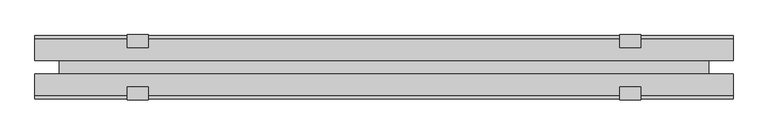
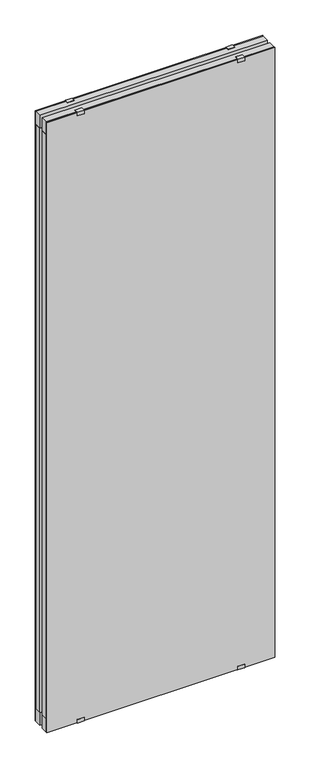
"""IFC4 building model written with IfcOpenShell, lengths in millimetres: plate geometry."""

from ifc_helpers import new_model, si_unit, frame, origin, origin_with_axes, place, context, project, spatial, polyline, outline, extrude, source, transform, mapped, element, save


def plate_c538993a(model_context):
    return source(origin(), model_context, "Body", "SweptSolid", [
        extrude(outline(polyline([(509.1082011, -10.0), (509.1082011, -41.0), (-509.1082011, -41.0), (-509.1082011, -10.0), (509.1082011, -10.0)])), origin_with_axes(), (0.0, 0.0, 1.0), 60.0),
        extrude(outline(polyline([(509.1082011, 41.0), (509.1082011, 10.0), (-509.1082011, 10.0), (-509.1082011, 41.0), (509.1082011, 41.0)])), origin_with_axes(), (0.0, 0.0, 1.0), 60.0),
        extrude(outline(polyline([(509.1082011, -10.0), (509.1082011, -41.0), (-509.1082011, -41.0), (-509.1082011, -10.0), (509.1082011, -10.0)])), frame((0.0, 0.0, 2825.0), z_axis=(0.0, 0.0, 1.0), x_axis=(1.0, 0.0, 0.0)), (0.0, 0.0, 1.0), 60.0),
        extrude(outline(polyline([(509.1082011, 41.0), (509.1082011, 10.0), (-509.1082011, 10.0), (-509.1082011, 41.0), (509.1082011, 41.0)])), frame((0.0, 0.0, 2825.0), z_axis=(0.0, 0.0, 1.0), x_axis=(1.0, 0.0, 0.0)), (0.0, 0.0, 1.0), 60.0),
        extrude(outline(polyline([(473.6082011, -10.0), (-473.6082011, -10.0), (-473.6082011, 10.0), (473.6082011, 10.0), (473.6082011, -10.0)])), frame((0.0, 0.0, 28.0), z_axis=(0.0, 0.0, 1.0), x_axis=(1.0, 0.0, 0.0)), (0.0, 0.0, 1.0), 2829.0),
        extrude(outline(polyline([(509.1082011, 41.0), (-509.1082011, 41.0), (-509.1082011, 46.0), (509.1082011, 46.0), (509.1082011, 41.0)])), origin_with_axes(), (0.0, 0.0, 1.0), 2885.0),
        extrude(outline(polyline([(-509.1082011, -46.0), (-509.1082011, -41.0), (509.1082011, -41.0), (509.1082011, -46.0), (-509.1082011, -46.0)])), origin_with_axes(), (0.0, 0.0, 1.0), 2885.0),
        extrude(outline(polyline([(449.3451285, -10.0), (509.1082011, -10.0), (509.1082011, -41.0), (469.8515354, -41.0), (449.3451285, -13.4129412), (449.3451285, -10.0)])), frame((0.0, 0.0, 60.0), z_axis=(0.0, 0.0, 1.0), x_axis=(1.0, 0.0, 0.0)), (0.0, 0.0, 1.0), 2765.0),
        extrude(outline(polyline([(449.3451285, 10.0), (449.3451285, 13.4129412), (469.8515354, 41.0), (509.1082011, 41.0), (509.1082011, 10.0), (449.3451285, 10.0)])), frame((0.0, 0.0, 60.0), z_axis=(0.0, 0.0, 1.0), x_axis=(1.0, 0.0, 0.0)), (0.0, 0.0, 1.0), 2765.0),
        extrude(outline(polyline([(-449.3451285, -10.0), (-449.3451285, -13.4129412), (-469.8515354, -41.0), (-509.1082011, -41.0), (-509.1082011, -10.0), (-449.3451285, -10.0)])), frame((0.0, 0.0, 60.0), z_axis=(0.0, 0.0, 1.0), x_axis=(1.0, 0.0, 0.0)), (0.0, 0.0, 1.0), 2765.0),
        extrude(outline(polyline([(-449.3451285, 10.0), (-509.1082011, 10.0), (-509.1082011, 41.0), (-469.8515354, 41.0), (-449.3451285, 13.4129412), (-449.3451285, 10.0)])), frame((0.0, 0.0, 60.0), z_axis=(0.0, 0.0, 1.0), x_axis=(1.0, 0.0, 0.0)), (0.0, 0.0, 1.0), 2765.0),
        extrude(outline(polyline([(-47.5, 2886.5), (-29.0, 2886.5), (-29.0, 2885.0), (-46.0, 2885.0), (-46.0, 2870.0), (-47.5, 2870.0), (-47.5, 2886.5)])), frame((-374.1082011, 0.0, 0.0), z_axis=(1.0, 0.0, 0.0), x_axis=(0.0, 1.0, 0.0)), (0.0, 0.0, 1.0), 30.0),
        extrude(outline(polyline([(47.5, 2870.0), (46.0, 2870.0), (46.0, 2885.0), (29.0, 2885.0), (29.0, 2886.5), (47.5, 2886.5), (47.5, 2870.0)])), frame((-374.1082011, 0.0, 0.0), z_axis=(1.0, 0.0, 0.0), x_axis=(0.0, 1.0, 0.0)), (0.0, 0.0, 1.0), 30.0),
        extrude(outline(polyline([(-47.1, 15.0), (-46.0, 15.0), (-46.0, 0.0), (-31.0, 0.0), (-31.0, -1.2), (-47.1, -1.2), (-47.1, 15.0)])), frame((-374.1082011, 0.0, 0.0), z_axis=(1.0, 0.0, 0.0), x_axis=(0.0, 1.0, 0.0)), (0.0, 0.0, 1.0), 30.0),
        extrude(outline(polyline([(47.1, -1.2), (31.0, -1.2), (31.0, 0.0), (46.0, 0.0), (46.0, 15.0), (47.1, 15.0), (47.1, -1.2)])), frame((-374.1082011, 0.0, 0.0), z_axis=(1.0, 0.0, 0.0), x_axis=(0.0, 1.0, 0.0)), (0.0, 0.0, 1.0), 30.0),
        extrude(outline(polyline([(-47.5, 2886.5), (-29.0, 2886.5), (-29.0, 2885.0), (-46.0, 2885.0), (-46.0, 2870.0), (-47.5, 2870.0), (-47.5, 2886.5)])), frame((344.1082011, 0.0, 0.0), z_axis=(1.0, 0.0, 0.0), x_axis=(0.0, 1.0, 0.0)), (0.0, 0.0, 1.0), 30.0),
        extrude(outline(polyline([(29.0, 2886.5), (47.5, 2886.5), (47.5, 2870.0), (46.0, 2870.0), (46.0, 2885.0), (29.0, 2885.0), (29.0, 2886.5)])), frame((344.1082011, 0.0, 0.0), z_axis=(1.0, 0.0, 0.0), x_axis=(0.0, 1.0, 0.0)), (0.0, 0.0, 1.0), 30.0),
        extrude(outline(polyline([(-47.1, 15.0), (-46.0, 15.0), (-46.0, 0.0), (-31.0, 0.0), (-31.0, -1.2), (-47.1, -1.2), (-47.1, 15.0)])), frame((344.1082011, 0.0, 0.0), z_axis=(1.0, 0.0, 0.0), x_axis=(0.0, 1.0, 0.0)), (0.0, 0.0, 1.0), 30.0),
        extrude(outline(polyline([(47.1, -1.2), (31.0, -1.2), (31.0, 0.0), (46.0, 0.0), (46.0, 15.0), (47.1, 15.0), (47.1, -1.2)])), frame((344.1082011, 0.0, 0.0), z_axis=(1.0, 0.0, 0.0), x_axis=(0.0, 1.0, 0.0)), (0.0, 0.0, 1.0), 30.0),
    ])


if __name__ == "__main__":
    model = new_model("IFC4")
    model_context = context("Model", 3, world=origin())
    ifc_project = project(units=[si_unit("LENGTHUNIT", "METRE", prefix="MILLI")], contexts=[model_context])
    site = spatial("IfcSite", under=ifc_project)
    building = spatial("IfcBuilding", under=site)
    placement = place(None, origin())
    plate_shape = plate_c538993a(model_context)
    element("IfcPlate", 1, at=placement, inside=building, context=model_context, shape_type="MappedRepresentation", body=[
        mapped(plate_shape, transform((0.0, 0.0, 0.0), x_axis=(1.0, 0.0, 0.0), y_axis=(0.0, 1.0, 0.0), z_axis=(0.0, 0.0, 1.0))),
    ])
    save(model, "model.ifc")
